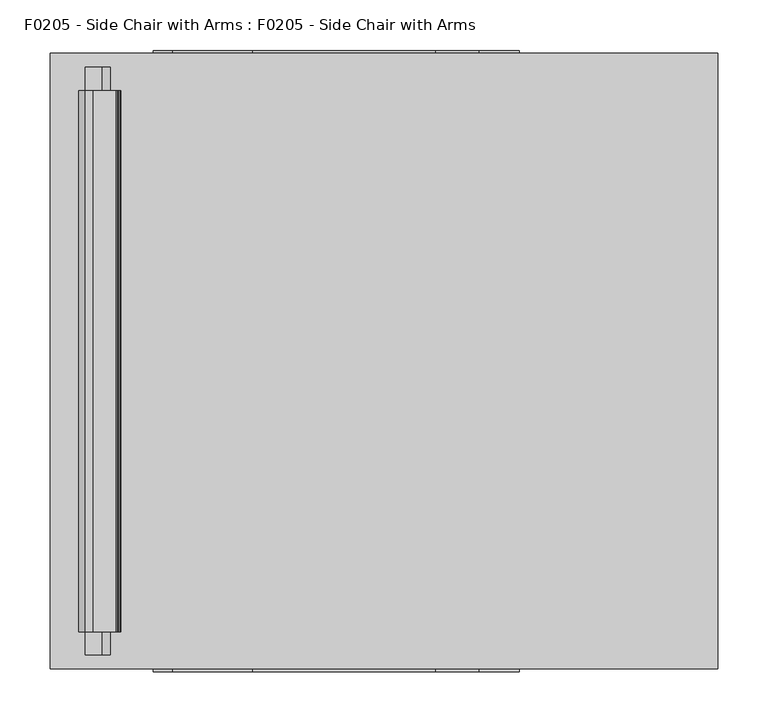
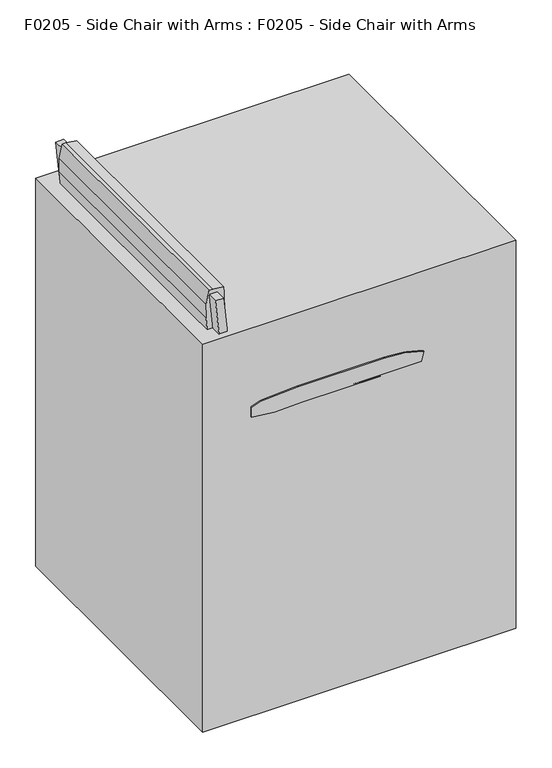
"""IFC4 building model written with IfcOpenShell, lengths in millimetres: proxy geometry, F0205 - Side Chair with Arms : F0205 - Side Chair with Arms."""

from ifc_helpers import new_model, si_unit, frame, origin, origin_with_axes, place, context, project, spatial, polyline, outline, extrude, source, transform, mapped, element, save


def f0205_side_chair_with_arms_f0205_side_chair_with_arms_0701cebb(model_context):
    return source(origin(), model_context, "Body", "SweptSolid", [
        extrude(outline(polyline([(949.5558695, -288.1891828), (949.0276678, -295.7428189), (920.9464532, -302.0388283), (890.9596762, -302.364601), (766.4444592, -291.4709311), (712.0444312, -282.2922915), (699.4048634, -275.0755148), (701.6800869, -249.0695909), (734.5347731, -247.5019251), (744.2301544, -248.5209507), (775.1826091, -252.8120869), (831.1136295, -257.7054171), (872.5802588, -261.3332771), (887.0899422, -262.6027099), (935.3234911, -264.152458), (946.525946, -265.1325458), (949.5558695, -288.1891828)])), frame((0.0, -268.3553067, 0.0), z_axis=(0.0, 1.0, 0.0), x_axis=(0.0, 0.0, 1.0)), (0.0, 0.0, 1.0), 536.2041409),
        extrude(outline(polyline([(256.4009052, 523.5214117), (267.8488342, 472.7447876), (247.7015659, 466.8926254), (-0.2531025, 454.1861401), (-248.2006555, 466.9655344), (-268.3553067, 472.7447876), (-256.8914817, 523.5286444), (-242.1729901, 524.0426254), (-0.2532363, 511.5153378), (241.6696752, 524.0358376), (256.4009052, 523.5214117)])), frame((-276.0175852, 0.0, 0.0), z_axis=(1.0, 0.0, 0.0), x_axis=(0.0, 1.0, 0.0)), (0.0, 0.0, 1.0), 448.6997704),
        extrude(outline(polyline([(688.7736743, -228.6), (667.1445431, -228.6), (661.9341602, -181.3714246), (664.006805, -120.3965081), (664.006805, 42.1384065), (660.8978378, 96.9044584), (660.8978378, 126.6899316), (687.4154537, 134.0660802), (697.5043243, 94.4420938), (700.8875965, 51.2519248), (700.8875965, -129.7992697), (695.7892437, -209.3248816), (688.7736743, -228.6)])), frame((0.0, 247.1834047, 0.0), z_axis=(0.0, 1.0, 0.0), x_axis=(0.0, 0.0, 1.0)), (0.0, 0.0, 1.0), 60.4113562),
        extrude(outline(polyline([(688.7736743, -228.6), (667.1445431, -228.6), (661.9341602, -181.3714246), (664.006805, -120.3965081), (664.006805, 42.1384065), (667.1445431, -13.1344595), (667.1445431, 128.4275172), (687.4154537, 134.0660802), (697.5043243, 94.4420938), (700.8875965, 51.2519248), (700.8875965, -129.7992697), (695.7892437, -209.3248816), (688.7736743, -228.6)])), frame((0.0, -308.1012334, 0.0), z_axis=(0.0, 1.0, 0.0), x_axis=(0.0, 0.0, 1.0)), (0.0, 0.0, 1.0), 59.893195),
        extrude(outline(polyline([(504.8449262, 147.1860068), (504.8449262, -258.5366203), (479.5415809, -260.4830005), (479.5415809, 149.3997627), (504.8449262, 147.1860068)])), frame((0.0, 265.4917348, 0.0), z_axis=(0.0, 1.0, 0.0), x_axis=(0.0, 0.0, 1.0)), (0.0, 0.0, 1.0), 25.4),
        extrude(outline(polyline([(504.8449262, 147.1860068), (504.8449262, -258.5366203), (479.5415809, -260.4830005), (479.5415809, 149.3997627), (504.8449262, 147.1860068)])), frame((0.0, -289.7929274, 0.0), z_axis=(0.0, 1.0, 0.0), x_axis=(0.0, 0.0, 1.0)), (0.0, 0.0, 1.0), 25.4),
        extrude(outline(polyline([(0.0, -297.370228), (642.1831371, -247.9723105), (642.1831371, 101.2776895), (617.1504769, 126.3103497), (505.0230984, 147.1704188), (0.0, 191.3542147), (0.0, 215.7503897), (505.0203406, 172.091969), (627.5762276, 149.2917903), (667.1445431, 107.5467505), (667.1445431, -250.1263819), (940.2581485, -278.8317785), (940.2581485, -295.7126518), (642.1831371, -266.7616436), (0.0, -322.770228), (0.0, -297.370228)])), frame((0.0, 263.8953187, 0.0), z_axis=(0.0, 1.0, 0.0), x_axis=(0.0, 0.0, 1.0)), (0.0, 0.0, 1.0), 26.9964161),
        extrude(outline(polyline([(0.0, -297.370228), (642.1831371, -247.9723105), (642.1831371, 101.2776895), (617.1504769, 126.3103497), (505.0230984, 147.1704188), (0.0, 191.3542147), (0.0, 215.7503897), (505.0203406, 172.091969), (627.5762276, 149.2917903), (667.1445431, 107.5467505), (667.1445431, -250.1263819), (940.2581485, -278.8317785), (940.2581485, -295.7126518), (642.1831371, -266.7616436), (0.0, -322.770228), (0.0, -297.370228)])), frame((0.0, -291.3893436, 0.0), z_axis=(0.0, 1.0, 0.0), x_axis=(0.0, 0.0, 1.0)), (0.0, 0.0, 1.0), 26.9964161),
        extrude(outline(polyline([(330.2, -304.8), (-330.2, -304.8), (-330.2, 304.8), (330.2, 304.8), (330.2, -304.8)])), origin_with_axes(), (0.0, 0.0, 1.0), 863.6),
    ])


if __name__ == "__main__":
    model = new_model("IFC4")
    model_context = context("Model", 3, world=origin())
    ifc_project = project(units=[si_unit("LENGTHUNIT", "METRE", prefix="MILLI")], contexts=[model_context])
    site = spatial("IfcSite", under=ifc_project)
    building = spatial("IfcBuilding", under=site)
    placement = place(None, origin())
    f0205_side_chair_with_arms_f0205_side_chair_with_arms_shape = f0205_side_chair_with_arms_f0205_side_chair_with_arms_0701cebb(model_context)
    element("IfcBuildingElementProxy", 1, Name="F0205 - Side Chair with Arms : F0205 - Side Chair with Arms", ObjectType="F0205 - Side Chair with Arms : F0205 - Side Chair with Arms", at=placement, inside=building, context=model_context, shape_type="MappedRepresentation", body=[
        mapped(f0205_side_chair_with_arms_f0205_side_chair_with_arms_shape, transform((0.0, 0.0, 0.0), x_axis=(1.0, 0.0, 0.0), y_axis=(0.0, 1.0, 0.0), z_axis=(0.0, 0.0, 1.0))),
    ])
    save(model, "model.ifc")
